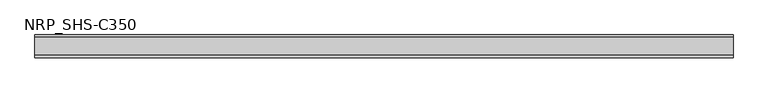
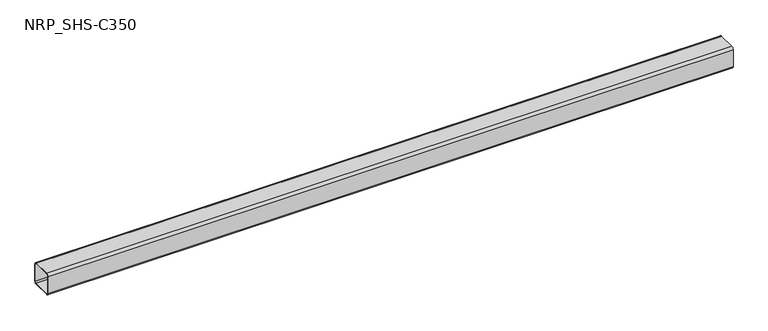
"""IFC4 building model written with IfcOpenShell, lengths in millimetres: member geometry, NRP_SHS-C350."""

import ifcopenshell
import ifcopenshell.guid

model = None  # the IFC model being written
_history = None  # IfcOwnerHistory: only IFC2X3 demands one
_inside = {}  # id of a spatial element -> (the spatial element, [elements in it])
_under = {}  # id of a project, library or spatial element -> (it, [spatial elements below it])
_declared = {}  # id of a project -> (the project, [libraries it declares])
_typed = {}  # id of a type object -> (the type object, [elements of that type])
_made_of = {}  # id of a material, layer set ... -> (it, [elements and type objects made of it])


def new_model(schema):
    """Start an empty IFC model of exactly this schema.

    Asked for "IFC4X3", IfcOpenShell would pick the latest addendum, in which some entities
    have other attributes; the version numbers below select the first issue.
    IFC2X3 requires an IfcOwnerHistory on every rooted entity: one is made here for all.
    """
    global model, _history
    if schema == "IFC4X3":
        model = ifcopenshell.file(schema_version=(4, 3, 0, 0))
    else:
        model = ifcopenshell.file(schema=schema)
    _inside.clear()
    _under.clear()
    _declared.clear()
    _typed.clear()
    _made_of.clear()
    _history = None
    if model.schema == "IFC2X3":
        org = make("IfcOrganization", Name="unknown")
        user = make(
            "IfcPersonAndOrganization",
            ThePerson=make("IfcPerson", FamilyName="unknown"),
            TheOrganization=org,
        )
        app = make(
            "IfcApplication",
            ApplicationDeveloper=org,
            Version="unknown",
            ApplicationFullName="unknown",
            ApplicationIdentifier="unknown",
        )
        _history = make(
            "IfcOwnerHistory",
            OwningUser=user,
            OwningApplication=app,
            ChangeAction="ADDED",
            CreationDate=0,
        )
    return model


def make(cls, **values):
    """One entity of the class cls with the attributes given. An attribute that is None is left unset."""
    return model.create_entity(
        cls, **{name: value for name, value in values.items() if value is not None}
    )


def rooted(cls, **values):
    """An entity with a GlobalId (a new one), such as an element, a storey or a relation."""
    return make(cls, GlobalId=ifcopenshell.guid.new(), OwnerHistory=_history, **values)


def si_unit(unit_type, name, prefix=None):
    """IfcSIUnit, for example si_unit("LENGTHUNIT", "METRE", prefix="MILLI")."""
    return make("IfcSIUnit", UnitType=unit_type, Prefix=prefix, Name=name)


def assignment(units):
    """IfcUnitAssignment: the units of a project."""
    return None if units is None else make("IfcUnitAssignment", Units=units)


def point(xyz):
    """IfcCartesianPoint."""
    return None if xyz is None else make("IfcCartesianPoint", Coordinates=xyz)


def direction(xyz):
    """IfcDirection."""
    return None if xyz is None else make("IfcDirection", DirectionRatios=xyz)


def frame(location, z_axis=None, x_axis=None):
    """IfcAxis2Placement3D, a coordinate frame: its origin and axes. An axis left out is left unset."""
    return make(
        "IfcAxis2Placement3D",
        Location=point(location),
        Axis=direction(z_axis),
        RefDirection=direction(x_axis),
    )


def frame_2d(location, x_axis=None):
    """IfcAxis2Placement2D, a coordinate frame in the plane: its origin and x axis."""
    return make(
        "IfcAxis2Placement2D", Location=point(location), RefDirection=direction(x_axis)
    )


def origin():
    """The frame at (0, 0, 0) with its axes left unset."""
    return frame((0.0, 0.0, 0.0))


def place(relative_to, where):
    """IfcLocalPlacement: puts the frame where relative to a parent placement (None: the world)."""
    return make(
        "IfcLocalPlacement", PlacementRelTo=relative_to, RelativePlacement=where
    )


def context(
    kind, dimensions, precision=None, world=None, true_north=None, identifier=None
):
    """IfcGeometricRepresentationContext, for example the 3D "Model" context."""
    return make(
        "IfcGeometricRepresentationContext",
        ContextIdentifier=identifier,
        ContextType=kind,
        CoordinateSpaceDimension=dimensions,
        Precision=precision,
        WorldCoordinateSystem=world,
        TrueNorth=true_north,
    )


def project(units=None, contexts=None):
    """IfcProject with its units and contexts."""
    return rooted(
        "IfcProject",
        Name="project",
        RepresentationContexts=contexts,
        UnitsInContext=assignment(units),
    )


def spatial(cls, under=None, at=None, **own):
    """A site, building, storey or space (cls), placed at a placement, below another one or the project."""
    s = rooted(cls, ObjectPlacement=at, **own)
    if under is not None:
        _under.setdefault(under.id(), (under, []))[1].append(s)
    return s


def polyline(points):
    """IfcPolyline through the points."""
    return make("IfcPolyline", Points=[point(p) for p in points])


def circle_curve(where, radius):
    """IfcCircle in the frame where."""
    return make("IfcCircle", Position=where, Radius=radius)


def trimmed(basis, trim1, trim2, sense, master):
    """IfcTrimmedCurve: the piece of a basis curve between two trims."""
    return make(
        "IfcTrimmedCurve",
        BasisCurve=basis,
        Trim1=trim1,
        Trim2=trim2,
        SenseAgreement=sense,
        MasterRepresentation=master,
    )


def segment(curve, same_sense, transition):
    """IfcCompositeCurveSegment."""
    return make(
        "IfcCompositeCurveSegment",
        Transition=transition,
        SameSense=same_sense,
        ParentCurve=curve,
    )


def composite_curve(segments, self_intersect=None):
    """IfcCompositeCurve: segments joined end to end."""
    return make("IfcCompositeCurve", Segments=segments, SelfIntersect=self_intersect)


def outline(outer, holes=None, kind="AREA"):
    """IfcArbitraryClosedProfileDef: a profile drawn as a closed curve; with holes, ...WithVoids."""
    if holes is None:
        return make("IfcArbitraryClosedProfileDef", ProfileType=kind, OuterCurve=outer)
    return make(
        "IfcArbitraryProfileDefWithVoids",
        ProfileType=kind,
        OuterCurve=outer,
        InnerCurves=holes,
    )


def extrude(swept, where, along, depth):
    """IfcExtrudedAreaSolid: the profile swept, set in the frame where, extruded along a direction by depth."""
    return make(
        "IfcExtrudedAreaSolid",
        SweptArea=swept,
        Position=where,
        ExtrudedDirection=direction(along),
        Depth=depth,
    )


def shape(context_of_items, identifier, shape_type, items):
    """IfcShapeRepresentation: the items that make up one representation, for example the "Body"."""
    return make(
        "IfcShapeRepresentation",
        ContextOfItems=context_of_items,
        RepresentationIdentifier=identifier,
        RepresentationType=shape_type,
        Items=items,
    )


def source(mapping_origin, context_of_items, identifier, shape_type, items):
    """IfcRepresentationMap: a shape defined once, which mapped items show again and again."""
    return make(
        "IfcRepresentationMap",
        MappingOrigin=mapping_origin,
        MappedRepresentation=shape(context_of_items, identifier, shape_type, items),
    )


def transform(
    local_origin,
    x_axis=None,
    y_axis=None,
    z_axis=None,
    scale=None,
    scale2=None,
    scale3=None,
    uniform=True,
):
    """IfcCartesianTransformationOperator3D, or its non-uniform kind. x_axis, y_axis, z_axis: its Axis1, 2, 3."""
    if uniform:
        return make(
            "IfcCartesianTransformationOperator3D",
            Axis1=direction(x_axis),
            Axis2=direction(y_axis),
            LocalOrigin=point(local_origin),
            Scale=scale,
            Axis3=direction(z_axis),
        )
    return make(
        "IfcCartesianTransformationOperator3DnonUniform",
        Axis1=direction(x_axis),
        Axis2=direction(y_axis),
        LocalOrigin=point(local_origin),
        Scale=scale,
        Axis3=direction(z_axis),
        Scale2=scale2,
        Scale3=scale3,
    )


def mapped(mapping_source, mapping_target):
    """IfcMappedItem: shows the shape of a source again, moved by a transform."""
    return make(
        "IfcMappedItem", MappingSource=mapping_source, MappingTarget=mapping_target
    )


def made_of(thing, what):
    """Note that an element or type object is made of a material, layer set ...; save() writes the relation."""
    if what is not None:
        _made_of.setdefault(what.id(), (what, []))[1].append(thing)
    return thing


def element(
    cls,
    number,
    at=None,
    inside=None,
    cuts=None,
    type_object=None,
    material=None,
    context=None,
    identifier="Body",
    shape_type=None,
    held_by="IfcProductDefinitionShape",
    body=None,
    shapes=None,
    **own,
):
    """One element of the class cls, such as IfcWall. Its Tag is "e" and its number.

    at: its placement. inside: the storey or other place that contains it. cuts: it is an
    opening in that element (IfcRelVoidsElement). A single representation is given by context,
    identifier, shape_type and body (its items); several are given by shapes. held_by: the class
    of the entity that holds the representations. save() writes the other relations.
    """
    e = rooted(cls, Tag="e%d" % number, ObjectPlacement=at, **own)
    if body is not None:
        shapes = [shape(context, identifier, shape_type, body)]
    if shapes is not None:
        e.Representation = make(held_by, Representations=shapes)
    if inside is not None:
        _inside.setdefault(inside.id(), (inside, []))[1].append(e)
    if cuts is not None:
        rooted(
            "IfcRelVoidsElement", RelatingBuildingElement=cuts, RelatedOpeningElement=e
        )
    if type_object is not None:
        _typed.setdefault(type_object.id(), (type_object, []))[1].append(e)
    return made_of(e, material)


def aggregate(whole, parts):
    """IfcRelAggregates: a whole, such as a stair, and the parts it consists of."""
    return rooted("IfcRelAggregates", RelatingObject=whole, RelatedObjects=parts)


def save(model, path):
    """Write the relations noted so far, then the file.

    IfcRelAggregates (storeys below a building ...), IfcRelContainedInSpatialStructure (elements
    in a storey), IfcRelDefinesByType, IfcRelAssociatesMaterial and IfcRelDeclares: one each for
    every whole, place, type object, material and project.
    """
    for whole, parts in _under.values():
        aggregate(whole, parts)
    for where, things in _inside.values():
        rooted(
            "IfcRelContainedInSpatialStructure",
            RelatedElements=things,
            RelatingStructure=where,
        )
    for kind, things in _typed.values():
        rooted("IfcRelDefinesByType", RelatedObjects=things, RelatingType=kind)
    for what, things in _made_of.values():
        rooted("IfcRelAssociatesMaterial", RelatedObjects=things, RelatingMaterial=what)
    for by, libraries in _declared.values():
        rooted("IfcRelDeclares", RelatingContext=by, RelatedDefinitions=libraries)
    model.write(path)


def nrp_shs_c350_11040c25(model_context):
    return source(origin(), model_context, "Body", "SweptSolid", [
        extrude(outline(composite_curve([segment(trimmed(circle_curve(frame_2d((-35.75, 35.75)), 8.75), [point((-44.5, 35.75))], [point((-35.75, 44.5))], False, "CARTESIAN"), True, "CONTINUOUS"), segment(polyline([(-35.75, 44.5), (35.75, 44.5)]), True, "CONTINUOUS"), segment(trimmed(circle_curve(frame_2d((35.75, 35.75)), 8.75), [point((35.75, 44.5))], [point((44.5, 35.75))], False, "CARTESIAN"), True, "CONTINUOUS"), segment(polyline([(44.5, 35.75), (44.5, -35.75)]), True, "CONTINUOUS"), segment(trimmed(circle_curve(frame_2d((35.75, -35.75)), 8.75), [point((44.5, -35.75))], [point((35.75, -44.5))], False, "CARTESIAN"), True, "CONTINUOUS"), segment(polyline([(35.75, -44.5), (-35.75, -44.5)]), True, "CONTINUOUS"), segment(trimmed(circle_curve(frame_2d((-35.75, -35.75)), 8.75), [point((-35.75, -44.5))], [point((-44.5, -35.75))], False, "CARTESIAN"), True, "CONTINUOUS"), segment(polyline([(-44.5, -35.75), (-44.5, 35.75)]), True, "CONTINUOUS")], self_intersect=False), holes=[composite_curve([segment(polyline([(35.75, 41.0), (-35.75, 41.0)]), True, "CONTINUOUS"), segment(trimmed(circle_curve(frame_2d((-35.75, 35.75)), 5.25), [point((-35.75, 41.0))], [point((-41.0, 35.75))], True, "CARTESIAN"), True, "CONTINUOUS"), segment(polyline([(-41.0, 35.75), (-41.0, -35.75)]), True, "CONTINUOUS"), segment(trimmed(circle_curve(frame_2d((-35.75, -35.75)), 5.25), [point((-41.0, -35.75))], [point((-35.75, -41.0))], True, "CARTESIAN"), True, "CONTINUOUS"), segment(polyline([(-35.75, -41.0), (35.75, -41.0)]), True, "CONTINUOUS"), segment(trimmed(circle_curve(frame_2d((35.75, -35.75)), 5.25), [point((35.75, -41.0))], [point((41.0, -35.75))], True, "CARTESIAN"), True, "CONTINUOUS"), segment(polyline([(41.0, -35.75), (41.0, 35.75)]), True, "CONTINUOUS"), segment(trimmed(circle_curve(frame_2d((35.75, 35.75)), 5.25), [point((41.0, 35.75))], [point((35.75, 41.0))], True, "CARTESIAN"), True, "CONTINUOUS")], self_intersect=False)]), frame((-1324.5, 0.0, 0.0), z_axis=(1.0, 0.0, 0.0), x_axis=(0.0, 1.0, 0.0)), (0.0, 0.0, 1.0), 2737.0),
    ])


if __name__ == "__main__":
    model = new_model("IFC4")
    model_context = context("Model", 3, world=origin())
    ifc_project = project(units=[si_unit("LENGTHUNIT", "METRE", prefix="MILLI")], contexts=[model_context])
    site = spatial("IfcSite", under=ifc_project)
    building = spatial("IfcBuilding", under=site)
    placement = place(None, origin())
    nrp_shs_c350_shape = nrp_shs_c350_11040c25(model_context)
    element("IfcMember", 1, ObjectType="NRP_SHS-C350", at=placement, inside=building, context=model_context, shape_type="MappedRepresentation", body=[
        mapped(nrp_shs_c350_shape, transform((0.0, 0.0, 0.0), x_axis=(1.0, 0.0, 0.0), y_axis=(0.0, 1.0, 0.0), z_axis=(0.0, 0.0, 1.0))),
    ])
    save(model, "model.ifc")
